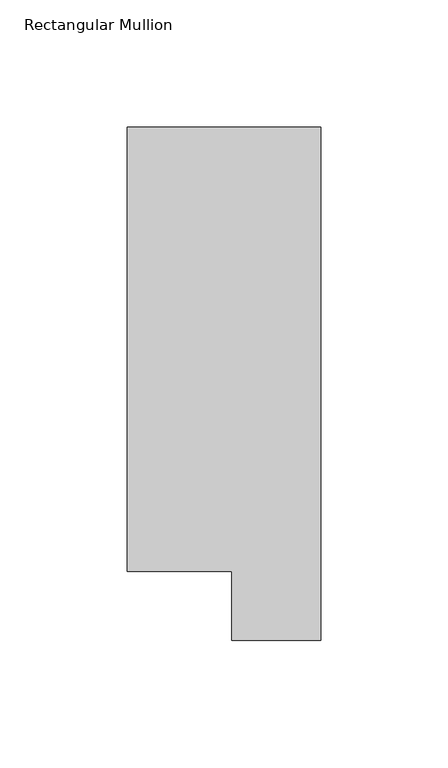
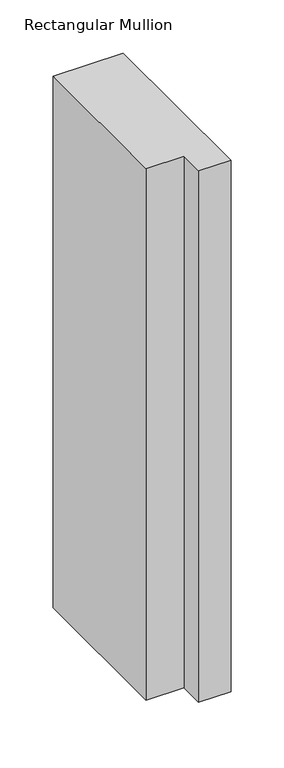
"""IFC4 building model written with IfcOpenShell, lengths in millimetres: member geometry, Rectangular Mullion."""

from ifc_helpers import new_model, si_unit, frame, origin, place, context, project, spatial, polyline, outline, extrude, source, transform, mapped, element, save


def rectangular_mullion_f0ff84a3(model_context):
    return source(origin(), model_context, "Body", "SweptSolid", [
        extrude(outline(polyline([(0.0, 221.7507313), (0.0, 19.5667313), (-34.9123, 19.5667313), (-34.9123, 46.7447302), (-76.2, 46.7447302), (-76.2, 221.7507313), (0.0, 221.7507313)])), frame((0.0, 0.0, -609.6), z_axis=(0.0, 0.0, 1.0), x_axis=(1.0, 0.0, 0.0)), (0.0, 0.0, 1.0), 609.6),
    ])


if __name__ == "__main__":
    model = new_model("IFC4")
    model_context = context("Model", 3, world=origin())
    ifc_project = project(units=[si_unit("LENGTHUNIT", "METRE", prefix="MILLI")], contexts=[model_context])
    site = spatial("IfcSite", under=ifc_project)
    building = spatial("IfcBuilding", under=site)
    placement = place(None, origin())
    rectangular_mullion_shape = rectangular_mullion_f0ff84a3(model_context)
    element("IfcMember", 1, ObjectType="Rectangular Mullion", at=placement, inside=building, context=model_context, shape_type="MappedRepresentation", body=[
        mapped(rectangular_mullion_shape, transform((0.0, 0.0, 0.0), x_axis=(1.0, 0.0, 0.0), y_axis=(0.0, 1.0, 0.0), z_axis=(0.0, 0.0, 1.0))),
    ])
    save(model, "model.ifc")
